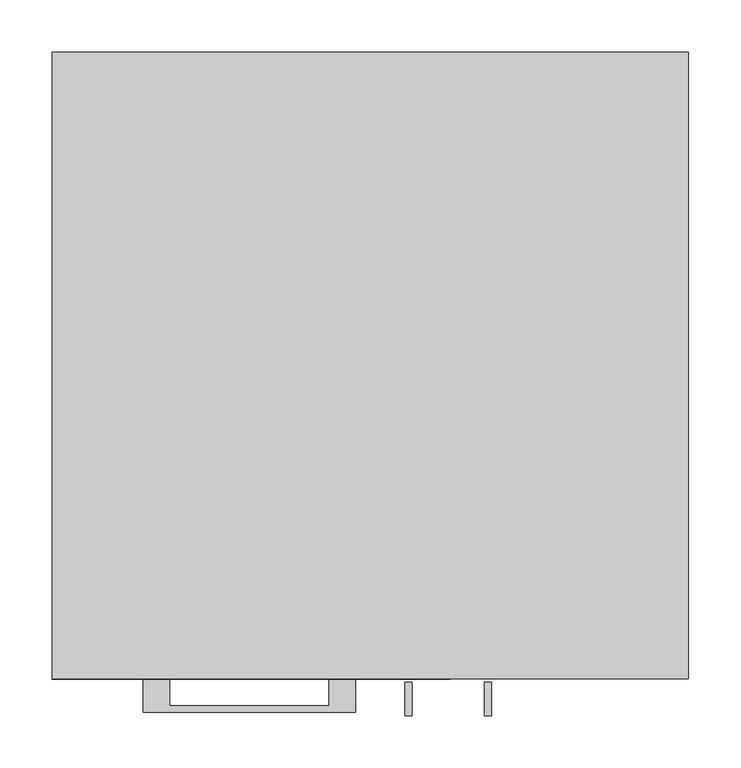
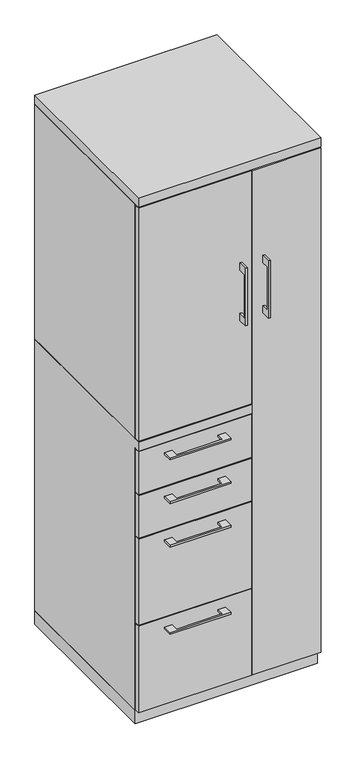
"""IFC4 building model written with IfcOpenShell, lengths in millimetres: furniture geometry."""

from ifc_helpers import new_model, si_unit, frame, origin, origin_with_axes, place, context, project, spatial, polyline, outline, extrude, faceted_brep, source, transform, mapped, element, save


def furniture_38d779ed(model_context):
    return source(origin(), model_context, "Body", "SolidModel", [
        extrude(outline(polyline([(-192.0874818, -600.075), (-192.0874818, -625.4749758), (-39.6875, -625.4749758), (-39.6875, -600.075), (-14.2875061, -600.075), (-14.2875061, -631.8249879), (-217.4874939, -631.8249879), (-217.4874939, -600.075), (-192.0874818, -600.075)])), frame((0.0, 0.0, 777.8750506), z_axis=(0.0, 0.0, 1.0), x_axis=(1.0, 0.0, 0.0)), (0.0, 0.0, 1.0), 6.3499758),
        extrude(outline(polyline([(73.025, -581.025), (73.025, -600.075), (-304.8, -600.075), (-304.8, -581.025), (73.025, -581.025)])), frame((0.0, 0.0, 666.75), z_axis=(0.0, 0.0, 1.0), x_axis=(1.0, 0.0, 0.0)), (0.0, 0.0, 1.0), 150.8125),
        extrude(outline(polyline([(-603.25, 1497.0125), (-628.6499758, 1497.0125), (-628.6499758, 1344.6125), (-603.25, 1344.6125), (-603.25, 1319.2125), (-634.9999879, 1319.2125), (-634.9999879, 1522.4125), (-603.25, 1522.4125), (-603.25, 1497.0125)])), frame((33.3375121, 0.0, 0.0), z_axis=(1.0, 0.0, 0.0), x_axis=(0.0, 1.0, 0.0)), (0.0, 0.0, 1.0), 6.3499758),
        extrude(outline(polyline([(-304.8, -600.075), (-304.8, -581.025), (73.025, -581.025), (73.025, -600.075), (-304.8, -600.075)])), frame((0.0, 0.0, 1009.65), z_axis=(0.0, 0.0, 1.0), x_axis=(1.0, 0.0, 0.0)), (0.0, 0.0, 1.0), 822.325),
        extrude(outline(polyline([(-192.0874818, -600.075), (-192.0874818, -625.4749758), (-39.6875, -625.4749758), (-39.6875, -600.075), (-14.2875061, -600.075), (-14.2875061, -631.8249879), (-217.4874939, -631.8249879), (-217.4874939, -600.075), (-192.0874818, -600.075)])), frame((0.0, 0.0, 931.8625506), z_axis=(0.0, 0.0, 1.0), x_axis=(1.0, 0.0, 0.0)), (0.0, 0.0, 1.0), 6.3499758),
        extrude(outline(polyline([(73.025, -581.025), (73.025, -600.075), (-304.8, -600.075), (-304.8, -581.025), (73.025, -581.025)])), frame((0.0, 0.0, 820.7375), z_axis=(0.0, 0.0, 1.0), x_axis=(1.0, 0.0, 0.0)), (0.0, 0.0, 1.0), 150.8125),
        extrude(outline(polyline([(-192.0874818, -600.075), (-192.0874818, -625.4749758), (-39.6875, -625.4749758), (-39.6875, -600.075), (-14.2875061, -600.075), (-14.2875061, -631.8249879), (-217.4874939, -631.8249879), (-217.4874939, -600.075), (-192.0874818, -600.075)])), frame((0.0, 0.0, 623.8875506), z_axis=(0.0, 0.0, 1.0), x_axis=(1.0, 0.0, 0.0)), (0.0, 0.0, 1.0), 6.3499758),
        extrude(outline(polyline([(73.025, -581.025), (73.025, -600.075), (-304.8, -600.075), (-304.8, -581.025), (73.025, -581.025)])), frame((0.0, 0.0, 358.775), z_axis=(0.0, 0.0, 1.0), x_axis=(1.0, 0.0, 0.0)), (0.0, 0.0, 1.0), 304.8),
        extrude(outline(polyline([(-603.25, 1497.0125), (-628.6499758, 1497.0125), (-628.6499758, 1344.6125), (-603.25, 1344.6125), (-603.25, 1319.2125), (-634.9999879, 1319.2125), (-634.9999879, 1522.4125), (-603.25, 1522.4125), (-603.25, 1497.0125)])), frame((109.5375121, 0.0, 0.0), z_axis=(1.0, 0.0, 0.0), x_axis=(0.0, 1.0, 0.0)), (0.0, 0.0, 1.0), 6.3499758),
        extrude(outline(polyline([(304.8, -600.075), (76.2, -600.075), (76.2, -581.025), (304.8, -581.025), (304.8, -600.075)])), frame((0.0, 0.0, 50.8), z_axis=(0.0, 0.0, 1.0), x_axis=(1.0, 0.0, 0.0)), (0.0, 0.0, 1.0), 1781.175),
        extrude(outline(polyline([(-192.0874818, -600.075), (-192.0874818, -625.4749758), (-39.6875, -625.4749758), (-39.6875, -600.075), (-14.2875061, -600.075), (-14.2875061, -631.8249879), (-217.4874939, -631.8249879), (-217.4874939, -600.075), (-192.0874818, -600.075)])), frame((0.0, 0.0, 315.9125506), z_axis=(0.0, 0.0, 1.0), x_axis=(1.0, 0.0, 0.0)), (0.0, 0.0, 1.0), 6.3499758),
        extrude(outline(polyline([(73.025, -581.025), (73.025, -600.075), (-304.8, -600.075), (-304.8, -581.025), (73.025, -581.025)])), frame((0.0, 0.0, 50.8), z_axis=(0.0, 0.0, 1.0), x_axis=(1.0, 0.0, 0.0)), (0.0, 0.0, 1.0), 304.8),
        faceted_brep([(-304.8, -581.025, 47.625), (-304.8, 0.0, 47.625), (76.2, 0.0, 47.625), (76.2, -581.025, 47.625), (-304.8, 0.0, 1006.475), (76.2, 0.0, 1006.475), (-304.8, -581.025, 974.725), (-304.8, -600.075, 974.725), (-304.8, -600.075, 1006.475), (76.2, -581.025, 974.725), (57.15, -581.025, 974.725), (76.2, -581.025, 1835.15), (57.15, -581.025, 1835.15), (57.15, -581.025, 1006.475), (76.2, -581.025, 1006.475), (76.2, -19.05, 1006.475), (76.2, -19.05, 1835.15), (76.2, -600.075, 1006.475), (76.2, -600.075, 974.725), (57.15, -19.05, 1835.15), (57.15, -19.05, 1006.475)], [[[0, 1, 2, 3]], [[2, 1, 4, 5]], [[4, 1, 0, 6, 7, 8]], [[6, 0, 3, 9, 10]], [[11, 12, 13, 14]], [[2, 5, 15, 16, 11, 14, 17, 18, 9, 3]], [[16, 19, 12, 11]], [[19, 16, 15, 20]], [[12, 19, 20, 13]], [[5, 4, 8, 17, 14, 13, 20, 15]], [[18, 7, 6, 10, 9]], [[17, 8, 7, 18]]]),
        extrude(outline(polyline([(76.2, 0.0), (76.2, -19.05), (-285.75, -19.05), (-285.75, -581.025), (-304.8, -581.025), (-304.8, 0.0), (76.2, 0.0)])), frame((0.0, 0.0, 1006.475), z_axis=(0.0, 0.0, 1.0), x_axis=(1.0, 0.0, 0.0)), (0.0, 0.0, 1.0), 828.675),
        extrude(outline(polyline([(304.8, 0.0), (304.8, -581.025), (285.75, -581.025), (285.75, -19.05), (76.2, -19.05), (76.2, 0.0), (304.8, 0.0)])), frame((0.0, 0.0, 47.625), z_axis=(0.0, 0.0, 1.0), x_axis=(1.0, 0.0, 0.0)), (0.0, 0.0, 1.0), 1787.525),
        extrude(outline(polyline([(304.8, 0.0), (304.8, -600.075), (-304.8, -600.075), (-304.8, 0.0), (304.8, 0.0)])), frame((0.0, 0.0, 1835.15), z_axis=(0.0, 0.0, 1.0), x_axis=(1.0, 0.0, 0.0)), (0.0, 0.0, 1.0), 31.75),
        extrude(outline(polyline([(304.8, 0.0), (304.8, -581.025), (-304.8, -581.025), (-304.8, 0.0), (304.8, 0.0)])), origin_with_axes(), (0.0, 0.0, 1.0), 47.625),
    ])


if __name__ == "__main__":
    model = new_model("IFC4")
    model_context = context("Model", 3, world=origin())
    ifc_project = project(units=[si_unit("LENGTHUNIT", "METRE", prefix="MILLI")], contexts=[model_context])
    site = spatial("IfcSite", under=ifc_project)
    building = spatial("IfcBuilding", under=site)
    placement = place(None, origin())
    furniture_shape = furniture_38d779ed(model_context)
    element("IfcFurniture", 1, at=placement, inside=building, context=model_context, shape_type="MappedRepresentation", body=[
        mapped(furniture_shape, transform((0.0, 0.0, 0.0), x_axis=(1.0, 0.0, 0.0), y_axis=(0.0, 1.0, 0.0), z_axis=(0.0, 0.0, 1.0))),
    ])
    save(model, "model.ifc")
